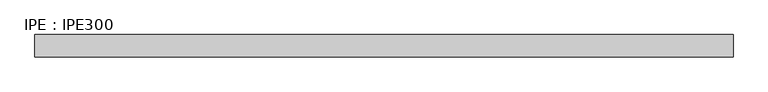
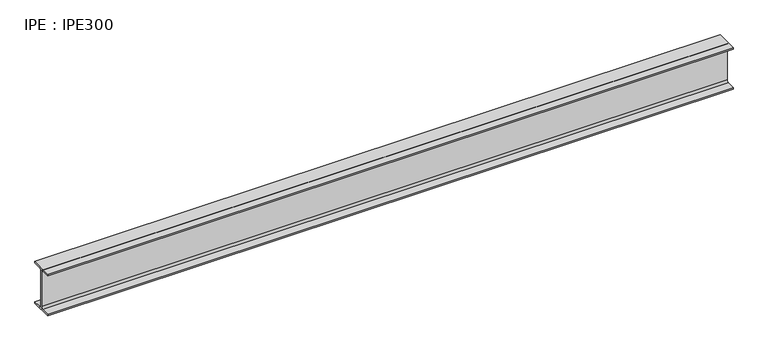
"""IFC4 building model written with IfcOpenShell, lengths in millimetres: beam geometry, IPE : IPE300."""

from ifc_helpers import new_model, si_unit, point, frame, frame_2d, origin, place, context, project, spatial, polyline, circle_curve, trimmed, segment, composite_curve, outline, extrude, source, transform, mapped, element, save


def ipe_ipe300_1967844c(model_context):
    return source(origin(), model_context, "Body", "SweptSolid", [
        extrude(outline(composite_curve([segment(polyline([(75.0, -139.3), (75.0, -150.0), (-75.0, -150.0), (-75.0, -139.3), (-18.55, -139.3)]), True, "CONTINUOUS"), segment(trimmed(circle_curve(frame_2d((-18.55, -124.3)), 15.0), [point((-18.55, -139.3))], [point((-3.55, -124.3))], True, "CARTESIAN"), True, "CONTINUOUS"), segment(polyline([(-3.55, -124.3), (-3.55, 124.3)]), True, "CONTINUOUS"), segment(trimmed(circle_curve(frame_2d((-18.55, 124.3)), 15.0), [point((-3.55, 124.3))], [point((-18.55, 139.3))], True, "CARTESIAN"), True, "CONTINUOUS"), segment(polyline([(-18.55, 139.3), (-75.0, 139.3), (-75.0, 150.0), (75.0, 150.0), (75.0, 139.3), (18.55, 139.3)]), True, "CONTINUOUS"), segment(trimmed(circle_curve(frame_2d((18.55, 124.3)), 15.0), [point((18.55, 139.3))], [point((3.55, 124.3))], True, "CARTESIAN"), True, "CONTINUOUS"), segment(polyline([(3.55, 124.3), (3.55, -124.3)]), True, "CONTINUOUS"), segment(trimmed(circle_curve(frame_2d((18.55, -124.3)), 15.0), [point((3.55, -124.3))], [point((18.55, -139.3))], True, "CARTESIAN"), True, "CONTINUOUS"), segment(polyline([(18.55, -139.3), (75.0, -139.3)]), True, "CONTINUOUS")], self_intersect=False)), frame((-2425.0, 0.0, 0.0), z_axis=(1.0, 0.0, 0.0), x_axis=(0.0, 1.0, 0.0)), (0.0, 0.0, 1.0), 4667.3),
    ])


if __name__ == "__main__":
    model = new_model("IFC4")
    model_context = context("Model", 3, world=origin())
    ifc_project = project(units=[si_unit("LENGTHUNIT", "METRE", prefix="MILLI")], contexts=[model_context])
    site = spatial("IfcSite", under=ifc_project)
    building = spatial("IfcBuilding", under=site)
    placement = place(None, origin())
    ipe_ipe300_shape = ipe_ipe300_1967844c(model_context)
    element("IfcBeam", 1, ObjectType="IPE : IPE300", at=placement, inside=building, context=model_context, shape_type="MappedRepresentation", body=[
        mapped(ipe_ipe300_shape, transform((0.0, 0.0, 0.0), x_axis=(1.0, 0.0, 0.0), y_axis=(0.0, 1.0, 0.0), z_axis=(0.0, 0.0, 1.0))),
    ])
    save(model, "model.ifc")
